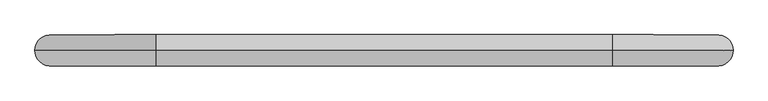
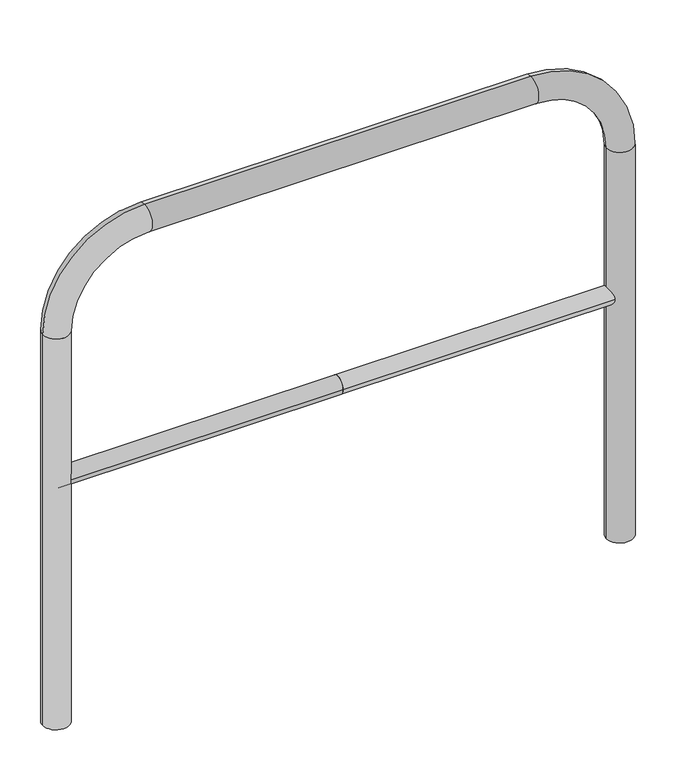
"""IFC4 building model written with IfcOpenShell, lengths in millimetres: proxy geometry."""

from ifc_helpers import new_model, si_unit, point, frame, frame_2d, origin, place, context, project, spatial, circle_curve, ellipse_curve, trimmed, segment, composite_curve, outline, extrude, source, transform, mapped, element, save
from ifc_brep_helpers import plane_surface, cylinder_surface, revolved_surface, advanced_brep


def generic_models_866c499f(model_context):
    return source(origin(), model_context, "Body", "SolidModel", [
        extrude(outline(composite_curve([segment(trimmed(circle_curve(frame_2d((0.0, 498.4778375)), 20.0), [point((-20.0, 498.4778375))], [point((20.0, 498.4778375))], False, "CARTESIAN"), True, "CONTINUOUS"), segment(trimmed(circle_curve(frame_2d((0.0, 498.4778375)), 20.0), [point((20.0, 498.4778375))], [point((-20.0, 498.4778375))], False, "CARTESIAN"), True, "CONTINUOUS")], self_intersect=False)), frame((-635.3230882, 0.0, 0.0), z_axis=(1.0, 0.0, 0.0), x_axis=(0.0, 1.0, 0.0)), (0.0, 0.0, 1.0), 635.3230882),
        extrude(outline(composite_curve([segment(trimmed(circle_curve(frame_2d((0.0, 498.4778375)), 20.0), [point((-20.0, 498.4778375))], [point((20.0, 498.4778375))], False, "CARTESIAN"), True, "CONTINUOUS"), segment(trimmed(circle_curve(frame_2d((0.0, 498.4778375)), 20.0), [point((20.0, 498.4778375))], [point((-20.0, 498.4778375))], False, "CARTESIAN"), True, "CONTINUOUS")], self_intersect=False)), frame((0.0, 0.0, 0.0), z_axis=(1.0, 0.0, 0.0), x_axis=(0.0, 1.0, 0.0)), (0.0, 0.0, 1.0), 635.3230882),
        advanced_brep(
        [(-605.3230882, 0.0, -80.0), (-665.3230882, 0.0, -80.0), (-605.3230882, 0.0, 850.0), (-665.3230882, 0.0, 850.0), (-435.3230882, 0.0, 1080.0), (-435.3230882, 0.0, 1020.0), (435.3230882, 0.0, 1020.0), (435.3230882, 0.0, 1080.0), (665.3230882, 0.0, 850.0), (605.3230882, 0.0, 850.0), (605.3230882, 0.0, -80.0), (665.3230882, 0.0, -80.0)],
        [
            (0, 1, circle_curve(frame((-635.3230882, 0.0, -80.0), z_axis=(0.0, 0.0, -1.0), x_axis=(-1.0, 0.0, 0.0)), 30.0)),
            (1, 0, circle_curve(frame((-635.3230882, 0.0, -80.0), z_axis=(0.0, 0.0, -1.0), x_axis=(-1.0, 0.0, 0.0)), 30.0)),
            (0, 2),
            (2, 3, circle_curve(frame((-635.3230882, 0.0, 850.0), z_axis=(0.0, 0.0, -1.0), x_axis=(-1.0, 0.0, 0.0)), 30.0)),
            (3, 1),
            (3, 2, circle_curve(frame((-635.3230882, 0.0, 850.0), z_axis=(0.0, 0.0, -1.0), x_axis=(-1.0, 0.0, 0.0)), 30.0)),
            (4, 3, circle_curve(frame((-435.3230882, 0.0, 850.0), z_axis=(0.0, -1.0, 0.0), x_axis=(-1.0, 0.0, 0.0)), 230.0)),
            (2, 5, circle_curve(frame((-435.3230882, 0.0, 850.0), z_axis=(0.0, 1.0, 0.0), x_axis=(-1.0, 0.0, 0.0)), 170.0)),
            (5, 4, circle_curve(frame((-435.3230882, 0.0, 1050.0), z_axis=(-1.0, 0.0, 0.0), x_axis=(0.0, 0.0, 1.0)), 30.0)),
            (4, 5, circle_curve(frame((-435.3230882, 0.0, 1050.0), z_axis=(-1.0, 0.0, 0.0), x_axis=(0.0, 0.0, 1.0)), 30.0)),
            (5, 6),
            (6, 7, circle_curve(frame((435.3230882, 0.0, 1050.0), z_axis=(-1.0, 0.0, 0.0), x_axis=(0.0, 0.0, 1.0)), 30.0)),
            (7, 4),
            (7, 6, circle_curve(frame((435.3230882, 0.0, 1050.0), z_axis=(-1.0, 0.0, 0.0), x_axis=(0.0, 0.0, 1.0)), 30.0)),
            (8, 7, circle_curve(frame((435.3230882, 0.0, 850.0), z_axis=(0.0, -1.0, 0.0), x_axis=(0.0, 0.0, 1.0)), 230.0)),
            (6, 9, circle_curve(frame((435.3230882, 0.0, 850.0), z_axis=(0.0, 1.0, 0.0), x_axis=(0.0, 0.0, 1.0)), 170.0)),
            (9, 8, circle_curve(frame((635.3230882, 0.0, 850.0), z_axis=(0.0, 0.0, 1.0), x_axis=(1.0, 0.0, 0.0)), 30.0)),
            (8, 9, circle_curve(frame((635.3230882, 0.0, 850.0), z_axis=(0.0, 0.0, 1.0), x_axis=(1.0, 0.0, 0.0)), 30.0)),
            (10, 11, circle_curve(frame((635.3230882, 0.0, -80.0), z_axis=(0.0, 0.0, -1.0), x_axis=(1.0, 0.0, 0.0)), 30.0)),
            (11, 10, circle_curve(frame((635.3230882, 0.0, -80.0), z_axis=(0.0, 0.0, -1.0), x_axis=(1.0, 0.0, 0.0)), 30.0)),
            (9, 10),
            (11, 8),
        ],
        [
            plane_surface(frame((-635.3230882, 0.0, -80.0), z_axis=(0.0, 0.0, -1.0), x_axis=(0.0, -1.0, 0.0))),
            cylinder_surface(frame((-635.3230882, 0.0, -80.0), z_axis=(0.0, 0.0, -1.0), x_axis=(-1.0, 0.0, 0.0)), 30.0),
            revolved_surface(trimmed(ellipse_curve(frame((-635.3230882, 0.0, 850.0), z_axis=(0.0, 0.0, -1.0), x_axis=(-1.0, 0.0, 0.0)), 30.0, 30.0), [point((-605.3230882, 0.0, 850.0))], [point((-665.3230882, 0.0, 850.0))], True, "CARTESIAN"), (-435.3230882, 0.0, 850.0), (0.0, 1.0, 0.0)),
            revolved_surface(trimmed(ellipse_curve(frame((-635.3230882, 0.0, 850.0), z_axis=(0.0, 0.0, -1.0), x_axis=(-1.0, 0.0, 0.0)), 30.0, 30.0), [point((-665.3230882, 0.0, 850.0))], [point((-605.3230882, 0.0, 850.0))], True, "CARTESIAN"), (-435.3230882, 0.0, 850.0), (0.0, 1.0, 0.0)),
            cylinder_surface(frame((-435.3230882, 0.0, 1050.0), z_axis=(-1.0, 0.0, 0.0), x_axis=(0.0, 0.0, 1.0)), 30.0),
            revolved_surface(trimmed(ellipse_curve(frame((435.3230882, 0.0, 1050.0), z_axis=(-1.0, 0.0, 0.0), x_axis=(0.0, 0.0, 1.0)), 30.0, 30.0), [point((435.3230882, 0.0, 1020.0))], [point((435.3230882, 0.0, 1080.0))], True, "CARTESIAN"), (435.3230882, 0.0, 850.0), (0.0, 1.0, 0.0)),
            revolved_surface(trimmed(ellipse_curve(frame((435.3230882, 0.0, 1050.0), z_axis=(-1.0, 0.0, 0.0), x_axis=(0.0, 0.0, 1.0)), 30.0, 30.0), [point((435.3230882, 0.0, 1080.0))], [point((435.3230882, 0.0, 1020.0))], True, "CARTESIAN"), (435.3230882, 0.0, 850.0), (0.0, 1.0, 0.0)),
            plane_surface(frame((635.3230882, 0.0, -80.0), z_axis=(0.0, 0.0, -1.0), x_axis=(0.0, -1.0, 0.0))),
            cylinder_surface(frame((635.3230882, 0.0, 850.0), z_axis=(0.0, 0.0, 1.0), x_axis=(1.0, 0.0, 0.0)), 30.0),
        ],
        [
            (0, [[1, 2]]),
            (1, [[-1, 3, 4, 5]]),
            (1, [[-2, -5, 6, -3]]),
            (2, [[7, -4, 8, 9]]),
            (3, [[-8, -6, -7, 10]]),
            (4, [[-9, 11, 12, 13]]),
            (4, [[-10, -13, 14, -11]]),
            (5, [[15, -12, 16, 17]]),
            (6, [[-16, -14, -15, 18]]),
            (7, [[19, 20]]),
            (8, [[-17, 21, -20, 22]]),
            (8, [[-18, -22, -19, -21]]),
        ],
    ),
    ])


if __name__ == "__main__":
    model = new_model("IFC4")
    model_context = context("Model", 3, world=origin())
    ifc_project = project(units=[si_unit("LENGTHUNIT", "METRE", prefix="MILLI")], contexts=[model_context])
    site = spatial("IfcSite", under=ifc_project)
    building = spatial("IfcBuilding", under=site)
    placement = place(None, origin())
    generic_models_shape = generic_models_866c499f(model_context)
    element("IfcBuildingElementProxy", 1, Name="Generic Models", at=placement, inside=building, context=model_context, shape_type="MappedRepresentation", body=[
        mapped(generic_models_shape, transform((0.0, 0.0, 0.0), x_axis=(1.0, 0.0, 0.0), y_axis=(0.0, 1.0, 0.0), z_axis=(0.0, 0.0, 1.0))),
    ])
    save(model, "model.ifc")
